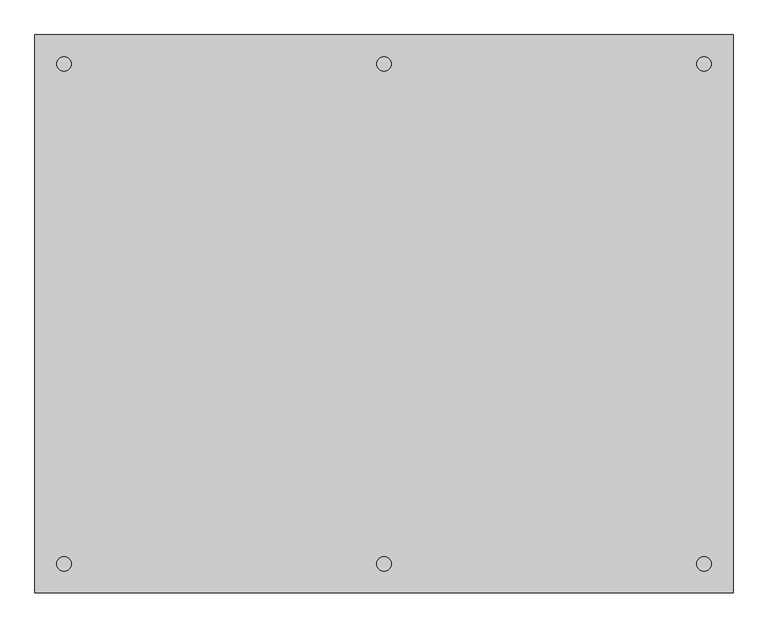
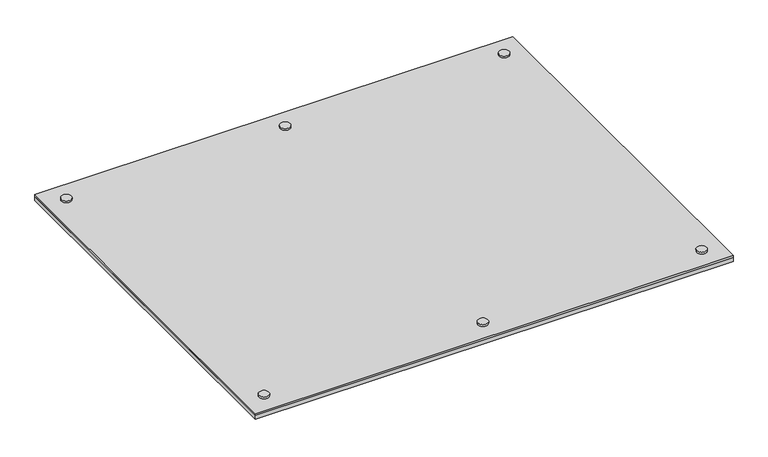
"""IFC4 building model written with IfcOpenShell, lengths in millimetres: proxy geometry."""

from ifc_helpers import new_model, si_unit, point, frame, frame_2d, origin, origin_with_axes, place, context, project, spatial, polyline, circle_curve, trimmed, segment, composite_curve, outline, extrude, source, transform, mapped, element, save


def specialty_equipment_19e819bd(model_context):
    return source(origin(), model_context, "Body", "SweptSolid", [
        extrude(outline(composite_curve([segment(trimmed(circle_curve(frame_2d((0.0, -546.1)), 15.875), [point((-15.875, -546.1))], [point((15.875, -546.1))], False, "CARTESIAN"), True, "CONTINUOUS"), segment(trimmed(circle_curve(frame_2d((0.0, -546.1)), 15.875), [point((15.875, -546.1))], [point((-15.875, -546.1))], False, "CARTESIAN"), True, "CONTINUOUS")], self_intersect=False)), frame((0.0, 0.0, 28.575), z_axis=(0.0, 0.0, 1.0), x_axis=(1.0, 0.0, 0.0)), (0.0, 0.0, 1.0), 6.35),
        extrude(outline(composite_curve([segment(trimmed(circle_curve(frame_2d((0.0, -546.1)), 15.875), [point((-15.875, -546.1))], [point((15.875, -546.1))], False, "CARTESIAN"), True, "CONTINUOUS"), segment(trimmed(circle_curve(frame_2d((0.0, -546.1)), 15.875), [point((15.875, -546.1))], [point((-15.875, -546.1))], False, "CARTESIAN"), True, "CONTINUOUS")], self_intersect=False)), origin_with_axes(), (0.0, 0.0, 1.0), 9.525),
        extrude(outline(composite_curve([segment(trimmed(circle_curve(frame_2d((698.5, -546.1)), 15.875), [point((682.625, -546.1))], [point((714.375, -546.1))], False, "CARTESIAN"), True, "CONTINUOUS"), segment(trimmed(circle_curve(frame_2d((698.5, -546.1)), 15.875), [point((714.375, -546.1))], [point((682.625, -546.1))], False, "CARTESIAN"), True, "CONTINUOUS")], self_intersect=False)), frame((0.0, 0.0, 28.575), z_axis=(0.0, 0.0, 1.0), x_axis=(1.0, 0.0, 0.0)), (0.0, 0.0, 1.0), 6.35),
        extrude(outline(composite_curve([segment(trimmed(circle_curve(frame_2d((698.5, -546.1)), 15.875), [point((682.625, -546.1))], [point((714.375, -546.1))], False, "CARTESIAN"), True, "CONTINUOUS"), segment(trimmed(circle_curve(frame_2d((698.5, -546.1)), 15.875), [point((714.375, -546.1))], [point((682.625, -546.1))], False, "CARTESIAN"), True, "CONTINUOUS")], self_intersect=False)), origin_with_axes(), (0.0, 0.0, 1.0), 9.525),
        extrude(outline(composite_curve([segment(trimmed(circle_curve(frame_2d((698.5, 546.1)), 15.875), [point((682.625, 546.1))], [point((714.375, 546.1))], False, "CARTESIAN"), True, "CONTINUOUS"), segment(trimmed(circle_curve(frame_2d((698.5, 546.1)), 15.875), [point((714.375, 546.1))], [point((682.625, 546.1))], False, "CARTESIAN"), True, "CONTINUOUS")], self_intersect=False)), frame((0.0, 0.0, 28.575), z_axis=(0.0, 0.0, 1.0), x_axis=(1.0, 0.0, 0.0)), (0.0, 0.0, 1.0), 6.35),
        extrude(outline(composite_curve([segment(trimmed(circle_curve(frame_2d((698.5, 546.1)), 15.875), [point((682.625, 546.1))], [point((714.375, 546.1))], False, "CARTESIAN"), True, "CONTINUOUS"), segment(trimmed(circle_curve(frame_2d((698.5, 546.1)), 15.875), [point((714.375, 546.1))], [point((682.625, 546.1))], False, "CARTESIAN"), True, "CONTINUOUS")], self_intersect=False)), origin_with_axes(), (0.0, 0.0, 1.0), 9.525),
        extrude(outline(composite_curve([segment(trimmed(circle_curve(frame_2d((-698.5, -546.1)), 15.875), [point((-714.375, -546.1))], [point((-682.625, -546.1))], False, "CARTESIAN"), True, "CONTINUOUS"), segment(trimmed(circle_curve(frame_2d((-698.5, -546.1)), 15.875), [point((-682.625, -546.1))], [point((-714.375, -546.1))], False, "CARTESIAN"), True, "CONTINUOUS")], self_intersect=False)), frame((0.0, 0.0, 28.575), z_axis=(0.0, 0.0, 1.0), x_axis=(1.0, 0.0, 0.0)), (0.0, 0.0, 1.0), 6.35),
        extrude(outline(composite_curve([segment(trimmed(circle_curve(frame_2d((-698.5, -546.1)), 15.875), [point((-714.375, -546.1))], [point((-682.625, -546.1))], False, "CARTESIAN"), True, "CONTINUOUS"), segment(trimmed(circle_curve(frame_2d((-698.5, -546.1)), 15.875), [point((-682.625, -546.1))], [point((-714.375, -546.1))], False, "CARTESIAN"), True, "CONTINUOUS")], self_intersect=False)), origin_with_axes(), (0.0, 0.0, 1.0), 9.525),
        extrude(outline(composite_curve([segment(trimmed(circle_curve(frame_2d((0.0, 546.1)), 15.875), [point((-15.875, 546.1))], [point((15.875, 546.1))], False, "CARTESIAN"), True, "CONTINUOUS"), segment(trimmed(circle_curve(frame_2d((0.0, 546.1)), 15.875), [point((15.875, 546.1))], [point((-15.875, 546.1))], False, "CARTESIAN"), True, "CONTINUOUS")], self_intersect=False)), frame((0.0, 0.0, 28.575), z_axis=(0.0, 0.0, 1.0), x_axis=(1.0, 0.0, 0.0)), (0.0, 0.0, 1.0), 6.35),
        extrude(outline(composite_curve([segment(trimmed(circle_curve(frame_2d((0.0, 546.1)), 15.875), [point((-15.875, 546.1))], [point((15.875, 546.1))], False, "CARTESIAN"), True, "CONTINUOUS"), segment(trimmed(circle_curve(frame_2d((0.0, 546.1)), 15.875), [point((15.875, 546.1))], [point((-15.875, 546.1))], False, "CARTESIAN"), True, "CONTINUOUS")], self_intersect=False)), origin_with_axes(), (0.0, 0.0, 1.0), 9.525),
        extrude(outline(composite_curve([segment(trimmed(circle_curve(frame_2d((-698.5, 546.1)), 15.875), [point((-714.375, 546.1))], [point((-682.625, 546.1))], False, "CARTESIAN"), True, "CONTINUOUS"), segment(trimmed(circle_curve(frame_2d((-698.5, 546.1)), 15.875), [point((-682.625, 546.1))], [point((-714.375, 546.1))], False, "CARTESIAN"), True, "CONTINUOUS")], self_intersect=False)), frame((0.0, 0.0, 28.575), z_axis=(0.0, 0.0, 1.0), x_axis=(1.0, 0.0, 0.0)), (0.0, 0.0, 1.0), 6.35),
        extrude(outline(composite_curve([segment(trimmed(circle_curve(frame_2d((-698.5, 546.1)), 15.875), [point((-714.375, 546.1))], [point((-682.625, 546.1))], False, "CARTESIAN"), True, "CONTINUOUS"), segment(trimmed(circle_curve(frame_2d((-698.5, 546.1)), 15.875), [point((-682.625, 546.1))], [point((-714.375, 546.1))], False, "CARTESIAN"), True, "CONTINUOUS")], self_intersect=False)), origin_with_axes(), (0.0, 0.0, 1.0), 9.525),
        extrude(outline(polyline([(762.0, -609.6), (-762.0, -609.6), (-762.0, 609.6), (762.0, 609.6), (762.0, -609.6)])), frame((0.0, 0.0, 22.225), z_axis=(0.0, 0.0, 1.0), x_axis=(1.0, 0.0, 0.0)), (0.0, 0.0, 1.0), 6.35),
        extrude(outline(polyline([(762.0, 609.6), (762.0, -609.6), (-762.0, -609.6), (-762.0, 609.6), (762.0, 609.6)])), frame((0.0, 0.0, 9.525), z_axis=(0.0, 0.0, 1.0), x_axis=(1.0, 0.0, 0.0)), (0.0, 0.0, 1.0), 12.7),
    ])


if __name__ == "__main__":
    model = new_model("IFC4")
    model_context = context("Model", 3, world=origin())
    ifc_project = project(units=[si_unit("LENGTHUNIT", "METRE", prefix="MILLI")], contexts=[model_context])
    site = spatial("IfcSite", under=ifc_project)
    building = spatial("IfcBuilding", under=site)
    placement = place(None, origin())
    specialty_equipment_shape = specialty_equipment_19e819bd(model_context)
    element("IfcBuildingElementProxy", 1, Name="Specialty Equipment", at=placement, inside=building, context=model_context, shape_type="MappedRepresentation", body=[
        mapped(specialty_equipment_shape, transform((0.0, 0.0, 0.0), x_axis=(1.0, 0.0, 0.0), y_axis=(0.0, 1.0, 0.0), z_axis=(0.0, 0.0, 1.0))),
    ])
    save(model, "model.ifc")
